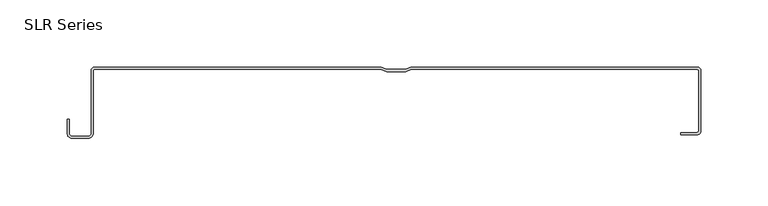
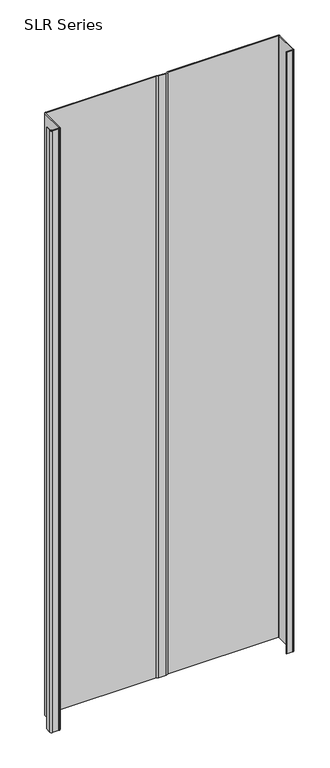
"""IFC4 building model written with IfcOpenShell, lengths in millimetres: plate geometry, SLR Series."""

from ifc_helpers import new_model, si_unit, point, frame_2d, origin, origin_with_axes, place, context, project, spatial, polyline, circle_curve, trimmed, segment, composite_curve, outline, extrude, source, transform, mapped, element, save


def slr_series_dd4d7a2e(model_context):
    return source(origin(), model_context, "Body", "SweptSolid", [
        extrude(outline(composite_curve([segment(trimmed(circle_curve(frame_2d((-226.4785174, -49.322367)), 3.5323605), [point((-222.9461569, -49.322367))], [point((-226.4785174, -52.8547275))], False, "CARTESIAN"), True, "CONTINUOUS"), segment(polyline([(-226.4785174, -52.8547275), (-238.8643673, -52.8547275)]), True, "CONTINUOUS"), segment(trimmed(circle_curve(frame_2d((-238.8643673, -49.322367)), 3.5323605), [point((-238.8643673, -52.8547275))], [point((-242.3967278, -49.322367))], False, "CARTESIAN"), True, "CONTINUOUS"), segment(polyline([(-242.3967278, -49.322367), (-242.3967278, -38.9158598), (-240.8437101, -38.9158598), (-240.8437101, -49.322367)]), True, "CONTINUOUS"), segment(trimmed(circle_curve(frame_2d((-238.8643673, -49.322367)), 1.9793427), [point((-240.8437101, -49.322367))], [point((-238.8643673, -51.3017098))], True, "CARTESIAN"), True, "CONTINUOUS"), segment(polyline([(-238.8643673, -51.3017098), (-226.4785174, -51.3017098)]), True, "CONTINUOUS"), segment(trimmed(circle_curve(frame_2d((-226.4785174, -49.322367)), 1.9793427), [point((-226.4785174, -51.3017098))], [point((-224.4991747, -49.322367))], True, "CARTESIAN"), True, "CONTINUOUS"), segment(polyline([(-224.4991747, -49.322367), (-224.4991747, -2.7245977)]), True, "CONTINUOUS"), segment(trimmed(circle_curve(frame_2d((-221.7739185, -2.7245977)), 2.7252562), [point((-224.4991747, -2.7245977))], [point((-221.8338237, 0.0))], False, "CARTESIAN"), True, "CONTINUOUS"), segment(polyline([(-221.8338237, 0.0), (-8.4777414, 0.0), (-4.3554323, -1.6489237), (9.4165652, -1.6489237), (13.5388743, 0.0), (226.6782619, 0.0)]), True, "CONTINUOUS"), segment(trimmed(circle_curve(frame_2d((226.6272458, -2.7222761)), 2.722754), [point((226.6782619, 0.0))], [point((229.3499998, -2.7222761))], False, "CARTESIAN"), True, "CONTINUOUS"), segment(polyline([(229.3499998, -2.7222761), (229.3499998, -47.5057747)]), True, "CONTINUOUS"), segment(trimmed(circle_curve(frame_2d((226.5762297, -47.5057747)), 2.7737702), [point((229.3499998, -47.5057747))], [point((226.5762297, -50.2795449))], False, "CARTESIAN"), True, "CONTINUOUS"), segment(polyline([(226.5762297, -50.2795449), (214.496908, -50.2795449), (214.496908, -48.6618105), (226.5762297, -48.6618105)]), True, "CONTINUOUS"), segment(trimmed(circle_curve(frame_2d((226.5762297, -47.5057747)), 1.1560358), [point((226.5762297, -48.6618105))], [point((227.7322655, -47.5057747))], True, "CARTESIAN"), True, "CONTINUOUS"), segment(polyline([(227.7322655, -47.5057747), (227.7322655, -2.7435358)]), True, "CONTINUOUS"), segment(trimmed(circle_curve(frame_2d((226.5762297, -2.7435358)), 1.1560358), [point((227.7322655, -2.7435358))], [point((226.5762297, -1.5875))], True, "CARTESIAN"), True, "CONTINUOUS"), segment(polyline([(226.5762297, -1.5875), (13.8445989, -1.5875), (9.7222897, -3.2364237), (-4.6611569, -3.2364237), (-8.783466, -1.5875), (-221.8338237, -1.5875)]), True, "CONTINUOUS"), segment(trimmed(circle_curve(frame_2d((-221.8338237, -2.6998332)), 1.1123332), [point((-221.8338237, -1.5875))], [point((-222.9461569, -2.6998332))], True, "CARTESIAN"), True, "CONTINUOUS"), segment(polyline([(-222.9461569, -2.6998332), (-222.9461569, -49.322367)]), True, "CONTINUOUS")], self_intersect=False)), origin_with_axes(), (0.0, 0.0, 1.0), 1228.3559792),
    ])


if __name__ == "__main__":
    model = new_model("IFC4")
    model_context = context("Model", 3, world=origin())
    ifc_project = project(units=[si_unit("LENGTHUNIT", "METRE", prefix="MILLI")], contexts=[model_context])
    site = spatial("IfcSite", under=ifc_project)
    building = spatial("IfcBuilding", under=site)
    placement = place(None, origin())
    slr_series_shape = slr_series_dd4d7a2e(model_context)
    element("IfcPlate", 1, ObjectType="SLR Series", at=placement, inside=building, context=model_context, shape_type="MappedRepresentation", body=[
        mapped(slr_series_shape, transform((0.0, 0.0, 0.0), x_axis=(1.0, 0.0, 0.0), y_axis=(0.0, 1.0, 0.0), z_axis=(0.0, 0.0, 1.0))),
    ])
    save(model, "model.ifc")
